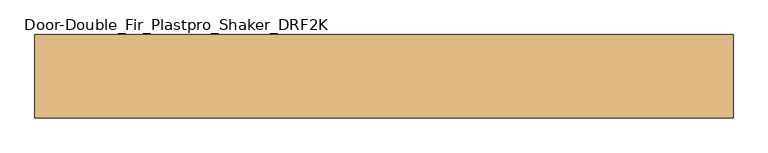
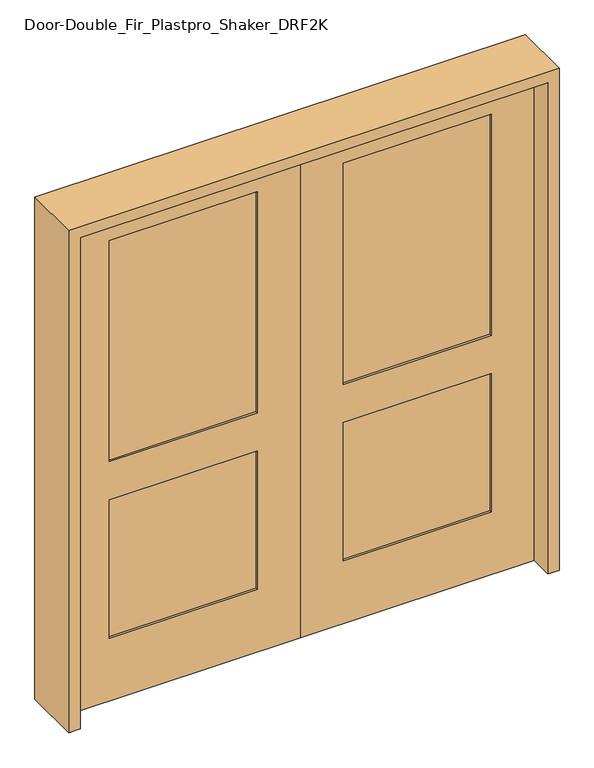
"""IFC4 building model written with IfcOpenShell, lengths in millimetres: door geometry, Door-Double_Fir_Plastpro_Shaker_DRF2K."""

from ifc_helpers import new_model, si_unit, frame, origin, place, context, project, spatial, polyline, outline, extrude, source, transform, mapped, element, save


def door_double_fir_plastpro_shaker_drf2k_53f811ab(model_context):
    return source(origin(), model_context, "Body", "SweptSolid", [
        extrude(outline(polyline([(2032.0, 0.0), (2032.0, -914.4), (0.0, -914.4), (0.0, 0.0), (2032.0, 0.0)]), holes=[polyline([(831.85, -168.275), (260.35, -168.275), (260.35, -746.125), (831.85, -746.125), (831.85, -168.275)]), polyline([(1905.0, -746.125), (1905.0, -168.275), (990.6, -168.275), (990.6, -746.125), (1905.0, -746.125)])]), frame((0.0, -22.225, 0.0), z_axis=(0.0, 1.0, 0.0), x_axis=(0.0, 0.0, 1.0)), (0.0, 0.0, 1.0), 44.45),
        extrude(outline(polyline([(-746.125, 12.7), (-168.275, 12.7), (-168.275, -14.2875), (-746.125, -14.2875), (-746.125, 12.7)])), frame((0.0, 0.0, 260.35), z_axis=(0.0, 0.0, 1.0), x_axis=(1.0, 0.0, 0.0)), (0.0, 0.0, 1.0), 571.5),
        extrude(outline(polyline([(-746.125, 12.7), (-168.275, 12.7), (-168.275, -14.2875), (-746.125, -14.2875), (-746.125, 12.7)])), frame((0.0, 0.0, 990.6), z_axis=(0.0, 0.0, 1.0), x_axis=(1.0, 0.0, 0.0)), (0.0, 0.0, 1.0), 914.4),
        extrude(outline(polyline([(2032.0, 0.0), (0.0, 0.0), (0.0, 914.4), (2032.0, 914.4), (2032.0, 0.0)]), holes=[polyline([(1905.0, 746.125), (990.6, 746.125), (990.6, 168.275), (1905.0, 168.275), (1905.0, 746.125)]), polyline([(831.85, 168.275), (831.85, 746.125), (260.35, 746.125), (260.35, 168.275), (831.85, 168.275)])]), frame((0.0, -22.225, 0.0), z_axis=(0.0, 1.0, 0.0), x_axis=(0.0, 0.0, 1.0)), (0.0, 0.0, 1.0), 44.45),
        extrude(outline(polyline([(746.125, 12.7), (746.125, -14.2875), (168.275, -14.2875), (168.275, 12.7), (746.125, 12.7)])), frame((0.0, 0.0, 990.6), z_axis=(0.0, 0.0, 1.0), x_axis=(1.0, 0.0, 0.0)), (0.0, 0.0, 1.0), 914.4),
        extrude(outline(polyline([(746.125, 12.7), (746.125, -14.2875), (168.275, -14.2875), (168.275, 12.7), (746.125, 12.7)])), frame((0.0, 0.0, 260.35), z_axis=(0.0, 0.0, 1.0), x_axis=(1.0, 0.0, 0.0)), (0.0, 0.0, 1.0), 571.5),
        extrude(outline(polyline([(0.0, -958.85), (0.0, -914.4), (2032.0, -914.4), (2032.0, 914.4), (0.0, 914.4), (0.0, 958.85), (2076.45, 958.85), (2076.45, -958.85), (0.0, -958.85)])), frame((0.0, -114.3, 0.0), z_axis=(0.0, 1.0, 0.0), x_axis=(0.0, 0.0, 1.0)), (0.0, 0.0, 1.0), 228.6),
    ])


if __name__ == "__main__":
    model = new_model("IFC4")
    model_context = context("Model", 3, world=origin())
    ifc_project = project(units=[si_unit("LENGTHUNIT", "METRE", prefix="MILLI")], contexts=[model_context])
    site = spatial("IfcSite", under=ifc_project)
    building = spatial("IfcBuilding", under=site)
    placement = place(None, origin())
    door_double_fir_plastpro_shaker_drf2k_shape = door_double_fir_plastpro_shaker_drf2k_53f811ab(model_context)
    element("IfcDoor", 1, ObjectType="Door-Double_Fir_Plastpro_Shaker_DRF2K", at=placement, inside=building, context=model_context, shape_type="MappedRepresentation", body=[
        mapped(door_double_fir_plastpro_shaker_drf2k_shape, transform((0.0, 0.0, 0.0), x_axis=(1.0, 0.0, 0.0), y_axis=(0.0, 1.0, 0.0), z_axis=(0.0, 0.0, 1.0))),
    ])
    save(model, "model.ifc")
